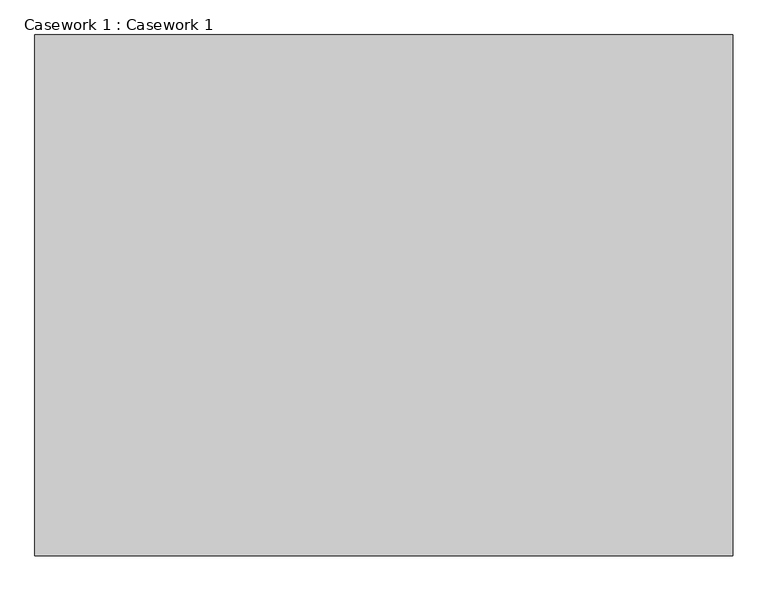
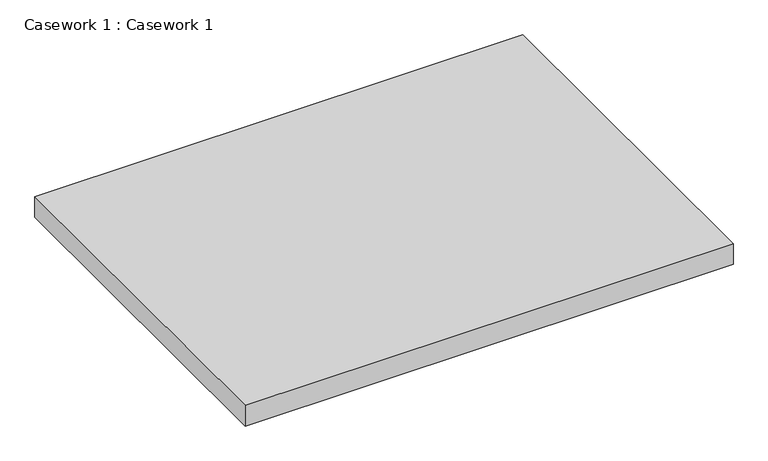
"""IFC4 building model written with IfcOpenShell, lengths in millimetres: furniture geometry, Casework 1 : Casework 1."""

from ifc_helpers import new_model, si_unit, frame, origin, place, context, project, spatial, polyline, outline, extrude, source, transform, mapped, element, save


def casework_1_casework_1_b26afeca(model_context):
    return source(origin(), model_context, "Body", "SweptSolid", [
        extrude(outline(polyline([(-146994.6819878, 19840.0861016), (-145786.2044078, 19840.0861016), (-145786.2044078, 18938.3861016), (-146994.6819878, 18938.3861016), (-146994.6819878, 19840.0861016)])), frame((0.0, 0.0, 697.520712), z_axis=(0.0, 0.0, 1.0), x_axis=(1.0, 0.0, 0.0)), (0.0, 0.0, 1.0), 54.1581791),
    ])


if __name__ == "__main__":
    model = new_model("IFC4")
    model_context = context("Model", 3, world=origin())
    ifc_project = project(units=[si_unit("LENGTHUNIT", "METRE", prefix="MILLI")], contexts=[model_context])
    site = spatial("IfcSite", under=ifc_project)
    building = spatial("IfcBuilding", under=site)
    placement = place(None, origin())
    casework_1_casework_1_shape = casework_1_casework_1_b26afeca(model_context)
    element("IfcFurniture", 1, ObjectType="Casework 1 : Casework 1", at=placement, inside=building, context=model_context, shape_type="MappedRepresentation", body=[
        mapped(casework_1_casework_1_shape, transform((0.0, 0.0, 0.0), x_axis=(1.0, 0.0, 0.0), y_axis=(0.0, 1.0, 0.0), z_axis=(0.0, 0.0, 1.0))),
    ])
    save(model, "model.ifc")
